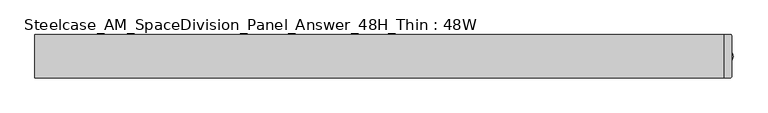
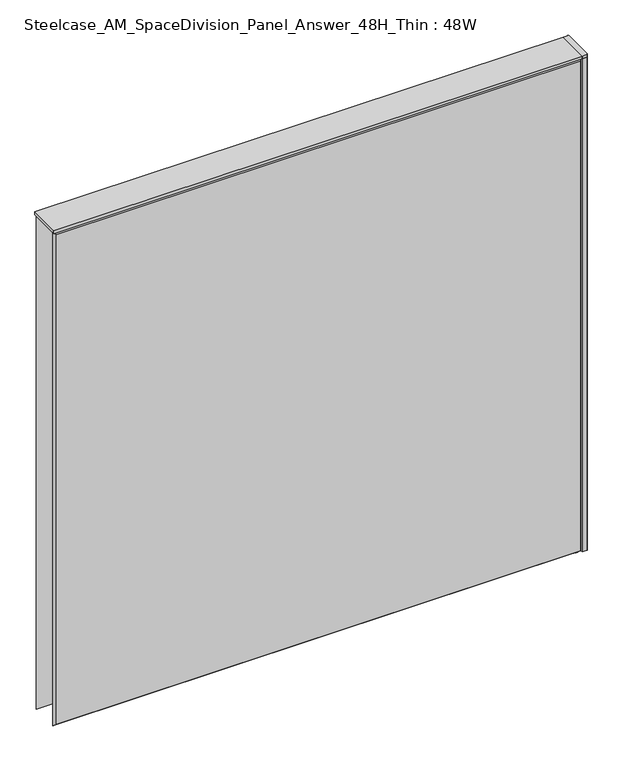
"""IFC4 building model written with IfcOpenShell, lengths in millimetres: furniture geometry, Steelcase_AM_SpaceDivision_Panel_Answer_48H_Thin : 48W."""

from ifc_helpers import new_model, si_unit, point, frame, frame_2d, origin, place, context, project, spatial, polyline, circle_curve, trimmed, segment, composite_curve, outline, extrude, faceted_brep, source, transform, mapped, element, save


def steelcase_am_spacedivision_panel_answer_48h_thin_48w_f2f7dce5(model_context):
    return source(origin(), model_context, "Body", "SolidModel", [
        extrude(outline(composite_curve([segment(trimmed(circle_curve(frame_2d((609.6, -1.94e-05)), 5.08), [point((614.68, -1.94e-05))], [point((604.52, -1.94e-05))], False, "CARTESIAN"), True, "CONTINUOUS"), segment(trimmed(circle_curve(frame_2d((609.6, -1.94e-05)), 5.08), [point((604.52, -1.94e-05))], [point((614.68, -1.94e-05))], False, "CARTESIAN"), True, "CONTINUOUS")], self_intersect=False)), frame((0.0, 0.0, 5.0799671), z_axis=(0.0, 0.0, 1.0), x_axis=(1.0, 0.0, 0.0)), (0.0, 0.0, 1.0), 10.414),
        extrude(outline(composite_curve([segment(trimmed(circle_curve(frame_2d((609.6, -1.94e-05)), 15.24), [point((624.84, -1.94e-05))], [point((594.36, -1.94e-05))], False, "CARTESIAN"), True, "CONTINUOUS"), segment(trimmed(circle_curve(frame_2d((609.6, -1.94e-05)), 15.24), [point((594.36, -1.94e-05))], [point((624.84, -1.94e-05))], False, "CARTESIAN"), True, "CONTINUOUS")], self_intersect=False)), frame((0.0, 0.0, -3.29e-05), z_axis=(0.0, 0.0, 1.0), x_axis=(1.0, 0.0, 0.0)), (0.0, 0.0, 1.0), 5.08),
        extrude(outline(composite_curve([segment(polyline([(622.3, 36.322), (622.3, -36.322)]), True, "CONTINUOUS"), segment(trimmed(circle_curve(frame_2d((620.522, -36.322)), 1.778), [point((622.3, -36.322))], [point((620.522, -38.1))], False, "CARTESIAN"), True, "CONTINUOUS"), segment(polyline([(620.522, -38.1), (609.6, -38.1), (609.6, 38.1), (620.522, 38.1)]), True, "CONTINUOUS"), segment(trimmed(circle_curve(frame_2d((620.522, 36.322)), 1.778), [point((620.522, 38.1))], [point((622.3, 36.322))], False, "CARTESIAN"), True, "CONTINUOUS")], self_intersect=False)), frame((0.0, 0.0, 1219.1999671), z_axis=(0.0, 0.0, 1.0), x_axis=(1.0, 0.0, 0.0)), (0.0, 0.0, 1.0), 6.35),
        extrude(outline(composite_curve([segment(polyline([(622.3, 36.322), (622.3, -36.322)]), True, "CONTINUOUS"), segment(trimmed(circle_curve(frame_2d((620.522, -36.322)), 1.778), [point((622.3, -36.322))], [point((620.522, -38.1))], False, "CARTESIAN"), True, "CONTINUOUS"), segment(polyline([(620.522, -38.1), (609.6, -38.1), (609.6, 38.1), (620.522, 38.1)]), True, "CONTINUOUS"), segment(trimmed(circle_curve(frame_2d((620.522, 36.322)), 1.778), [point((620.522, 38.1))], [point((622.3, 36.322))], False, "CARTESIAN"), True, "CONTINUOUS")], self_intersect=False)), frame((0.0, 0.0, 15.4939671), z_axis=(0.0, 0.0, 1.0), x_axis=(1.0, 0.0, 0.0)), (0.0, 0.0, 1.0), 1203.706),
        faceted_brep([(-604.774, 38.0960551, 1214.374), (604.774, 38.0960551, 1214.374), (604.774, 38.0960551, 20.32), (-604.774, 38.0960551, 20.32), (-609.6, 33.2700551, 1219.2), (-609.6, 33.2700551, 15.494), (609.6, 33.2700551, 15.494), (609.6, 33.2700551, 1219.2)], [[[0, 1, 2, 3]], [[4, 5, 6, 7]], [[4, 7, 1, 0]], [[7, 6, 2, 1]], [[6, 5, 3, 2]], [[5, 4, 0, 3]]]),
        faceted_brep([(604.774, -38.0960551, 1214.374), (-604.774, -38.0960551, 1214.374), (-604.774, -38.0960551, 20.32), (604.774, -38.0960551, 20.32), (609.6, -33.2700551, 1219.2), (609.6, -33.2700551, 15.494), (-609.6, -33.2700551, 15.494), (-609.6, -33.2700551, 1219.2)], [[[0, 1, 2, 3]], [[4, 5, 6, 7]], [[4, 7, 1, 0]], [[7, 6, 2, 1]], [[6, 5, 3, 2]], [[5, 4, 0, 3]]]),
        extrude(outline(polyline([(609.6, 38.1000194), (609.6, -38.1000194), (-609.6, -38.1000194), (-609.6, 38.1000194), (609.6, 38.1000194)])), frame((0.0, 0.0, 1219.2), z_axis=(0.0, 0.0, 1.0), x_axis=(1.0, 0.0, 0.0)), (0.0, 0.0, 1.0), 6.35),
    ])


if __name__ == "__main__":
    model = new_model("IFC4")
    model_context = context("Model", 3, world=origin())
    ifc_project = project(units=[si_unit("LENGTHUNIT", "METRE", prefix="MILLI")], contexts=[model_context])
    site = spatial("IfcSite", under=ifc_project)
    building = spatial("IfcBuilding", under=site)
    placement = place(None, origin())
    steelcase_am_spacedivision_panel_answer_48h_thin_48w_shape = steelcase_am_spacedivision_panel_answer_48h_thin_48w_f2f7dce5(model_context)
    element("IfcFurniture", 1, ObjectType="Steelcase_AM_SpaceDivision_Panel_Answer_48H_Thin : 48W", at=placement, inside=building, context=model_context, shape_type="MappedRepresentation", body=[
        mapped(steelcase_am_spacedivision_panel_answer_48h_thin_48w_shape, transform((0.0, 0.0, 0.0), x_axis=(1.0, 0.0, 0.0), y_axis=(0.0, 1.0, 0.0), z_axis=(0.0, 0.0, 1.0))),
    ])
    save(model, "model.ifc")
